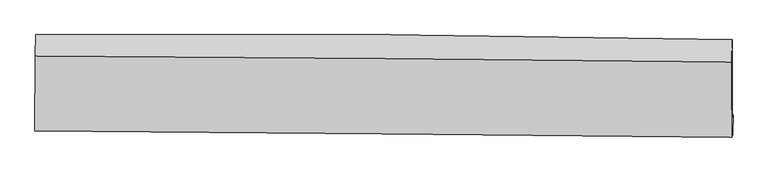
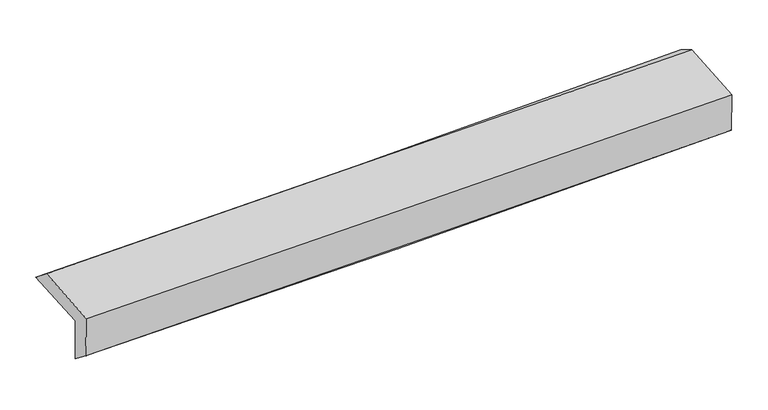
"""IFC4 building model written with IfcOpenShell, lengths in millimetres: proxy geometry."""

from ifc_helpers import new_model, si_unit, frame, origin, place, context, project, spatial, source, transform, mapped, element, save
from ifc_brep_helpers import plane_surface, spline_curve, spline_surface, advanced_brep


def generic_models_ec9df71a(model_context):
    return source(origin(), model_context, "Body", "AdvancedBrep", [
        advanced_brep(
        [(-3028.4749259, -1760.1953507, 1942.603341), (-3025.7709911, -1106.5286236, 1973.6140722), (3013.0437188, -1150.3026599, 2149.0262558), (3009.4572027, -1824.8959509, 2116.6168772), (-3019.4700658, -1739.7438059, 1547.4646153), (3018.7920138, -1803.6783926, 1706.678867), (-3023.5356857, -1916.0829017, 1687.2438211), (3014.5894202, -1970.9640817, 1846.2874746), (-3032.3864899, -1941.9185544, 2074.2971983), (3006.0774286, -1995.8107346, 2218.5242843), (-3030.1183611, -1292.4858327, 2123.6815316), (3009.1450794, -1341.3967637, 2268.3053298)],
        [
            (0, 1),
            (1, 2, spline_curve(3, [(-3025.7709911, -1106.5286236, 1973.6140722), (-2018.803015304, -1099.552635838, 1980.241067391), (-1012.161343212, -1099.710829714, 1998.16828451), (1000.777092983, -1114.297811865, 2056.632101121), (2007.073657518, -1128.73096307, 2097.175611627), (3013.0437188, -1150.3026599, 2149.0262558)], [4, 2, 4], [0.0, 9.909372402062063, 19.821774778351475])),
            (2, 3),
            (3, 0, spline_curve(3, [(3009.4572027, -1824.8959509, 2116.6168772), (2003.617805715, -1808.826907498, 2064.442858742), (997.460134124, -1795.40024876, 2023.854275205), (-1015.184103325, -1773.834996923, 1965.856845134), (-2021.670474567, -1765.694789124, 1948.440916278), (-3028.4749259, -1760.1953507, 1942.603341)], [4, 2, 4], [0.0, 9.912402376289412, 19.821774778351475])),
            (4, 0),
            (3, 5),
            (5, 4, spline_curve(3, [(3018.7920138, -1803.6783926, 1706.678867), (2012.784795816, -1787.993850629, 1661.933551587), (1006.515722214, -1774.823267186, 1626.292402635), (-1006.238464208, -1753.513274679, 1573.226550659), (-2012.723417302, -1745.372329476, 1555.796281916), (-3019.4700658, -1739.7438059, 1547.4646153)], [4, 2, 4], [0.0, 9.911415396434881, 19.819801120337544])),
            (6, 4),
            (5, 7),
            (7, 6, spline_curve(3, [(3014.5894202, -1970.9640817, 1846.2874746), (2008.287937006, -1960.882981089, 1814.748421995), (1001.883171097, -1951.2683712, 1785.72361633), (-1010.825260485, -1932.974929952, 1732.710602087), (-2017.128863533, -1924.295812869, 1708.720856516), (-3023.5356857, -1916.0829017, 1687.2438211)], [4, 2, 4], [0.0, 9.91078151788501, 19.818533556998666])),
            (8, 6),
            (7, 9),
            (9, 8, spline_curve(3, [(3006.0774286, -1995.8107346, 2218.5242843), (1999.681462086, -1986.005432632, 2191.117069823), (993.201218726, -1976.611142955, 2165.392958673), (-1019.620138852, -1958.647333809, 2117.318292063), (-2025.961201877, -1950.077563506, 2094.966707784), (-3032.3864899, -1941.9185544, 2074.2971983)], [4, 2, 4], [0.0, 9.910400109832102, 19.817770857479783])),
            (10, 8),
            (9, 11),
            (11, 10, spline_curve(3, [(3009.1450794, -1341.3967637, 2268.3053298), (2002.603261834, -1330.75917636, 2240.957993675), (995.983457052, -1321.36403851, 2215.230747837), (-1017.10440424, -1305.061154363, 2167.023805519), (-2023.57241294, -1298.152648359, 2144.543118702), (-3030.1183611, -1292.4858327, 2123.6815316)], [4, 2, 4], [0.0, 9.910995109524935, 19.81896067498888])),
            (1, 10),
            (11, 2),
        ],
        [
            spline_surface(3, 3, [[(-3028.4749259, -1760.1953507, 1942.603341), (-2021.670474645, -1765.694789062, 1948.440916163), (-1015.184103299, -1773.834997057, 1965.856844984), (997.460134098, -1795.400248627, 2023.854275356), (2003.617805653, -1808.82690734, 2064.442858642), (3009.4572027, -1824.8959509, 2116.6168772)], [(-3027.573614316, -1542.30644166, 1952.940251393), (-2020.714654872, -1543.647404599, 1959.040966532), (-1014.176516613, -1549.126941306, 1976.627324892), (998.565787053, -1568.366103005, 2034.780217238), (2004.769756286, -1582.128259238, 2075.353776252), (3010.65270806, -1600.031520555, 2127.4200034)], [(-3026.672302684, -1324.41753264, 1963.277161807), (-2019.758835052, -1321.600020156, 1969.641016921), (-1013.168929902, -1324.418885562, 1987.397804761), (999.671440031, -1341.33195739, 2045.70615908), (2005.92170694, -1355.429611171, 2086.264693864), (3011.84821344, -1375.167090245, 2138.2231296)], [(-3025.7709911, -1106.5286236, 1973.6140722), (-2018.803015279, -1099.552635692, 1980.24106729), (-1012.161343216, -1099.710829811, 1998.16828467), (1000.777092986, -1114.297811768, 2056.632100962), (2007.073657573, -1128.730963068, 2097.175611475), (3013.0437188, -1150.3026599, 2149.0262558)]], [4, 4], [4, 2, 4], [0.0, 2.2257311629511585], [0.0, 9.909372402062063, 19.821774778351475]),
            spline_surface(3, 3, [[(-3019.4700658, -1739.7438059, 1547.4646153), (-2012.723417273, -1745.372329393, 1555.796282009), (-1006.238464296, -1753.51327482, 1573.226550518), (1006.515722302, -1774.823267044, 1626.292402775), (2012.784795851, -1787.993850521, 1661.933551487), (3018.7920138, -1803.6783926, 1706.678867)], [(-3022.471685807, -1746.560987491, 1679.177523872), (-2015.705769704, -1752.146482607, 1686.677826733), (-1009.220343972, -1760.287182207, 1704.10331534), (1003.497192892, -1781.682260879, 1758.813026969), (2009.729132458, -1794.9382028, 1796.103320518), (3015.680410106, -1810.750912039, 1843.32487038)], [(-3025.473305893, -1753.378169109, 1810.890432428), (-2018.688122213, -1758.920635848, 1817.559371439), (-1012.202223623, -1767.06108967, 1834.980080162), (1000.478663508, -1788.541254792, 1891.333651162), (2006.673469047, -1801.882555061, 1930.27308961), (3012.568806394, -1817.823431461, 1979.97087382)], [(-3028.4749259, -1760.1953507, 1942.603341), (-2021.670474645, -1765.694789062, 1948.440916163), (-1015.184103299, -1773.834997057, 1965.856844984), (997.460134098, -1795.400248627, 2023.854275356), (2003.617805653, -1808.82690734, 2064.442858642), (3009.4572027, -1824.8959509, 2116.6168772)]], [4, 4], [4, 2, 4], [0.0, 1.2983204171854477], [0.0, 9.908385723902663, 19.819801120337544]),
            spline_surface(3, 3, [[(-3023.5356857, -1916.0829017, 1687.2438211), (-2017.128863489, -1924.295812944, 1708.72085663), (-1010.82526058, -1932.97492981, 1732.710602057), (1001.883171192, -1951.268371342, 1785.72361636), (2008.287936903, -1960.882981121, 1814.748422127), (3014.5894202, -1970.9640817, 1846.2874746)], [(-3022.180479068, -1857.303203117, 1640.650752508), (-2015.660381419, -1864.654651778, 1657.745998431), (-1009.296328472, -1873.15437815, 1679.549251544), (1003.427354909, -1892.453336579, 1732.579878498), (2009.78688988, -1903.253270926, 1763.810131941), (3015.990284728, -1915.202185338, 1799.751272094)], [(-3020.825272432, -1798.523504483, 1594.057683892), (-2014.191899343, -1805.013490559, 1606.771140209), (-1007.767396404, -1813.33382648, 1626.387901032), (1004.971538585, -1833.638301807, 1679.436140637), (2011.285842874, -1845.623560716, 1712.871841673), (3017.391149272, -1859.440288962, 1753.215069506)], [(-3019.4700658, -1739.7438059, 1547.4646153), (-2012.723417273, -1745.372329393, 1555.796282009), (-1006.238464296, -1753.51327482, 1573.226550518), (1006.515722302, -1774.823267044, 1626.292402775), (2012.784795851, -1787.993850521, 1661.933551487), (3018.7920138, -1803.6783926, 1706.678867)]], [4, 4], [4, 2, 4], [0.0, 0.7840810904820068], [0.0, 9.907752039113657, 19.818533556998666]),
            spline_surface(3, 3, [[(-3032.3864899, -1941.9185544, 2074.2971983), (-2025.961201879, -1950.07756362, 2094.966707864), (-1019.620138897, -1958.647333952, 2117.318292116), (993.201218771, -1976.611142812, 2165.39295862), (1999.681461982, -1986.005432492, 2191.117069743), (3006.0774286, -1995.8107346, 2218.5242843)], [(-3029.436221842, -1933.306670177, 1945.27940589), (-2023.017089091, -1941.483646738, 1966.218090776), (-1016.688512798, -1950.08986593, 1989.115728766), (996.095202905, -1968.163552348, 2038.836511203), (2002.550286967, -1977.631282027, 2065.660853868), (3008.914759144, -1987.528516959, 2094.445347731)], [(-3026.485953758, -1924.694785923, 1816.26161351), (-2020.072976276, -1932.889729826, 1837.469473719), (-1013.75688668, -1941.532397831, 1860.913165407), (998.989187058, -1959.715961806, 1912.280063778), (2005.419111919, -1969.257131586, 1940.204638002), (3011.752089656, -1979.246299341, 1970.366411169)], [(-3023.5356857, -1916.0829017, 1687.2438211), (-2017.128863489, -1924.295812944, 1708.72085663), (-1010.82526058, -1932.97492981, 1732.710602057), (1001.883171192, -1951.268371342, 1785.72361636), (2008.287936903, -1960.882981121, 1814.748422127), (3014.5894202, -1970.9640817, 1846.2874746)]], [4, 4], [4, 2, 4], [0.0, 1.256849737956396], [0.0, 9.90737074764768, 19.817770857479783]),
            spline_surface(3, 3, [[(-3030.1183611, -1292.4858327, 2123.6815316), (-2023.572412908, -1298.152648397, 2144.543118588), (-1017.10440418, -1305.061154344, 2167.023805463), (995.983456992, -1321.36403853, 2215.230747893), (2002.60326176, -1330.759176299, 2240.957993776), (3009.1450794, -1341.3967637, 2268.3053298)], [(-3030.874404031, -1508.963406577, 2107.220087178), (-2024.368675896, -1515.460953448, 2128.017648358), (-1017.942982427, -1522.923214214, 2150.45530102), (995.056044244, -1539.779739959, 2198.618151475), (2001.629328488, -1549.17459506, 2224.344352434), (3008.122529121, -1559.53475403, 2251.711647969)], [(-3031.630446969, -1725.440980523, 2090.758642722), (-2025.164938891, -1732.769258569, 2111.492178094), (-1018.78156065, -1740.785274081, 2133.886796559), (994.128631519, -1758.195441384, 2182.005555038), (2000.655395254, -1767.590013731, 2207.730711085), (3007.099978879, -1777.67274427, 2235.117966131)], [(-3032.3864899, -1941.9185544, 2074.2971983), (-2025.961201879, -1950.07756362, 2094.966707864), (-1019.620138897, -1958.647333952, 2117.318292116), (993.201218771, -1976.611142812, 2165.39295862), (1999.681461982, -1986.005432492, 2191.117069743), (3006.0774286, -1995.8107346, 2218.5242843)]], [4, 4], [4, 2, 4], [0.0, 2.1532552649524277], [0.0, 9.907965565463945, 19.81896067498888]),
            spline_surface(3, 3, [[(-3025.7709911, -1106.5286236, 1973.6140722), (-2018.803015279, -1099.552635692, 1980.24106729), (-1012.161343216, -1099.710829811, 1998.16828467), (1000.777092986, -1114.297811768, 2056.632100962), (2007.073657573, -1128.730963068, 2097.175611475), (3013.0437188, -1150.3026599, 2149.0262558)], [(-3027.220114435, -1168.514359978, 2023.636558659), (-2020.39281449, -1165.752639939, 2035.008417715), (-1013.809030188, -1168.160937986, 2054.453458246), (999.179214338, -1183.319887353, 2109.498316584), (2005.583525644, -1196.073700791, 2145.103072236), (3011.744172342, -1214.00069448, 2188.785947127)], [(-3028.669237765, -1230.500096322, 2073.659045141), (-2021.982613697, -1231.95264415, 2089.775768162), (-1015.456717208, -1236.611046168, 2110.738631887), (997.58133564, -1252.341962945, 2162.364532271), (2004.093393689, -1263.416438576, 2193.030533015), (3010.444625858, -1277.69872912, 2228.545638473)], [(-3030.1183611, -1292.4858327, 2123.6815316), (-2023.572412908, -1298.152648397, 2144.543118588), (-1017.10440418, -1305.061154344, 2167.023805463), (995.983456992, -1321.36403853, 2215.230747893), (2002.60326176, -1330.759176299, 2240.957993776), (3009.1450794, -1341.3967637, 2268.3053298)]], [4, 4], [4, 2, 4], [0.0, 0.863999739214352], [0.0, 9.909148804741156, 19.821327515340634]),
            plane_surface(frame((3011.8508106, -1681.1747639, 2050.9065148), z_axis=(0.9997278817571199, -0.006392916245627383, 0.022434193974792675), x_axis=(0.022810431667572857, 0.0665840502567707, -0.9975200491511651))),
            plane_surface(frame((-3026.6260866, -1626.1591782, 1891.4840966), z_axis=(-0.9997329925784144, 0.005203537189345121, -0.022513701404415557), x_axis=(-0.004131882323484795, -0.9988680358066305, -0.047387494049262194))),
        ],
        [
            (0, [[1, 2, 3, 4]]),
            (1, [[5, -4, 6, 7]]),
            (2, [[8, -7, 9, 10]]),
            (3, [[11, -10, 12, 13]]),
            (4, [[14, -13, 15, 16]]),
            (5, [[17, -16, 18, -2]]),
            (6, [[-12, -9, -6, -3, -18, -15]]),
            (7, [[-1, -5, -8, -11, -14, -17]]),
        ],
    ),
    ])


if __name__ == "__main__":
    model = new_model("IFC4")
    model_context = context("Model", 3, world=origin())
    ifc_project = project(units=[si_unit("LENGTHUNIT", "METRE", prefix="MILLI")], contexts=[model_context])
    site = spatial("IfcSite", under=ifc_project)
    building = spatial("IfcBuilding", under=site)
    placement = place(None, origin())
    generic_models_shape = generic_models_ec9df71a(model_context)
    element("IfcBuildingElementProxy", 1, Name="Generic Models", at=placement, inside=building, context=model_context, shape_type="MappedRepresentation", body=[
        mapped(generic_models_shape, transform((0.0, 0.0, 0.0), x_axis=(1.0, 0.0, 0.0), y_axis=(0.0, 1.0, 0.0), z_axis=(0.0, 0.0, 1.0))),
    ])
    save(model, "model.ifc")
